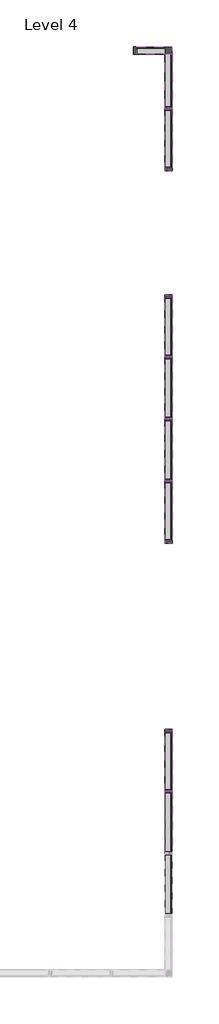
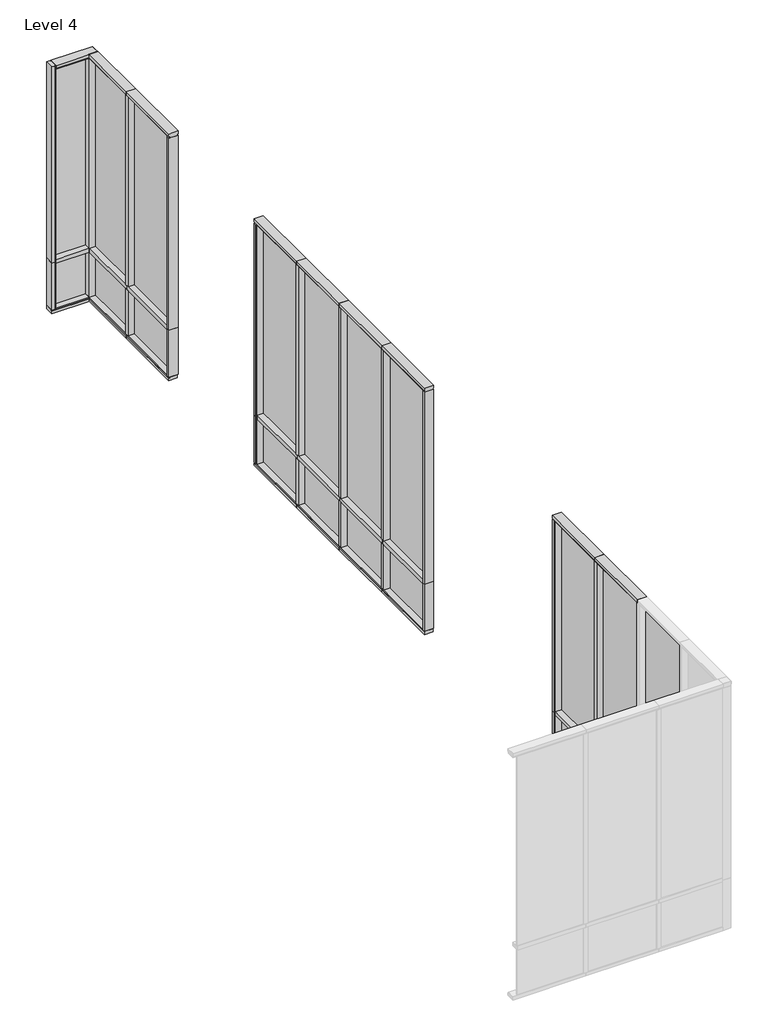
# One storey, part 2 of 2: 51 members, 19 plates.
"""IFC4 building model written with IfcOpenShell, lengths in millimetres."""

import ifcopenshell
import ifcopenshell.guid

model = None  # the IFC model being written
_history = None  # IfcOwnerHistory: only IFC2X3 demands one
_inside = {}  # id of a spatial element -> (the spatial element, [elements in it])
_under = {}  # id of a project, library or spatial element -> (it, [spatial elements below it])
_declared = {}  # id of a project -> (the project, [libraries it declares])
_typed = {}  # id of a type object -> (the type object, [elements of that type])
_made_of = {}  # id of a material, layer set ... -> (it, [elements and type objects made of it])


def new_model(schema):
    """Start an empty IFC model of exactly this schema.

    Asked for "IFC4X3", IfcOpenShell would pick the latest addendum, in which some entities
    have other attributes; the version numbers below select the first issue.
    IFC2X3 requires an IfcOwnerHistory on every rooted entity: one is made here for all.
    """
    global model, _history
    if schema == "IFC4X3":
        model = ifcopenshell.file(schema_version=(4, 3, 0, 0))
    else:
        model = ifcopenshell.file(schema=schema)
    _inside.clear()
    _under.clear()
    _declared.clear()
    _typed.clear()
    _made_of.clear()
    _history = None
    if model.schema == "IFC2X3":
        org = make("IfcOrganization", Name="unknown")
        user = make(
            "IfcPersonAndOrganization",
            ThePerson=make("IfcPerson", FamilyName="unknown"),
            TheOrganization=org,
        )
        app = make(
            "IfcApplication",
            ApplicationDeveloper=org,
            Version="unknown",
            ApplicationFullName="unknown",
            ApplicationIdentifier="unknown",
        )
        _history = make(
            "IfcOwnerHistory",
            OwningUser=user,
            OwningApplication=app,
            ChangeAction="ADDED",
            CreationDate=0,
        )
    return model


def make(cls, **values):
    """One entity of the class cls with the attributes given. An attribute that is None is left unset."""
    return model.create_entity(
        cls, **{name: value for name, value in values.items() if value is not None}
    )


def rooted(cls, **values):
    """An entity with a GlobalId (a new one), such as an element, a storey or a relation."""
    return make(cls, GlobalId=ifcopenshell.guid.new(), OwnerHistory=_history, **values)


def si_unit(unit_type, name, prefix=None):
    """IfcSIUnit, for example si_unit("LENGTHUNIT", "METRE", prefix="MILLI")."""
    return make("IfcSIUnit", UnitType=unit_type, Prefix=prefix, Name=name)


def assignment(units):
    """IfcUnitAssignment: the units of a project."""
    return None if units is None else make("IfcUnitAssignment", Units=units)


def point(xyz):
    """IfcCartesianPoint."""
    return None if xyz is None else make("IfcCartesianPoint", Coordinates=xyz)


def direction(xyz):
    """IfcDirection."""
    return None if xyz is None else make("IfcDirection", DirectionRatios=xyz)


def frame(location, z_axis=None, x_axis=None):
    """IfcAxis2Placement3D, a coordinate frame: its origin and axes. An axis left out is left unset."""
    return make(
        "IfcAxis2Placement3D",
        Location=point(location),
        Axis=direction(z_axis),
        RefDirection=direction(x_axis),
    )


def origin():
    """The frame at (0, 0, 0) with its axes left unset."""
    return frame((0.0, 0.0, 0.0))


def origin_with_axes():
    """The frame at (0, 0, 0) with the z axis (0, 0, 1) and the x axis (1, 0, 0) written out."""
    return frame((0.0, 0.0, 0.0), z_axis=(0.0, 0.0, 1.0), x_axis=(1.0, 0.0, 0.0))


def place(relative_to, where):
    """IfcLocalPlacement: puts the frame where relative to a parent placement (None: the world)."""
    return make(
        "IfcLocalPlacement", PlacementRelTo=relative_to, RelativePlacement=where
    )


def context(
    kind, dimensions, precision=None, world=None, true_north=None, identifier=None
):
    """IfcGeometricRepresentationContext, for example the 3D "Model" context."""
    return make(
        "IfcGeometricRepresentationContext",
        ContextIdentifier=identifier,
        ContextType=kind,
        CoordinateSpaceDimension=dimensions,
        Precision=precision,
        WorldCoordinateSystem=world,
        TrueNorth=true_north,
    )


def project(units=None, contexts=None):
    """IfcProject with its units and contexts."""
    return rooted(
        "IfcProject",
        Name="project",
        RepresentationContexts=contexts,
        UnitsInContext=assignment(units),
    )


def spatial(cls, under=None, at=None, **own):
    """A site, building, storey or space (cls), placed at a placement, below another one or the project."""
    s = rooted(cls, ObjectPlacement=at, **own)
    if under is not None:
        _under.setdefault(under.id(), (under, []))[1].append(s)
    return s


def polyline(points):
    """IfcPolyline through the points."""
    return make("IfcPolyline", Points=[point(p) for p in points])


def outline(outer, holes=None, kind="AREA"):
    """IfcArbitraryClosedProfileDef: a profile drawn as a closed curve; with holes, ...WithVoids."""
    if holes is None:
        return make("IfcArbitraryClosedProfileDef", ProfileType=kind, OuterCurve=outer)
    return make(
        "IfcArbitraryProfileDefWithVoids",
        ProfileType=kind,
        OuterCurve=outer,
        InnerCurves=holes,
    )


def extrude(swept, where, along, depth):
    """IfcExtrudedAreaSolid: the profile swept, set in the frame where, extruded along a direction by depth."""
    return make(
        "IfcExtrudedAreaSolid",
        SweptArea=swept,
        Position=where,
        ExtrudedDirection=direction(along),
        Depth=depth,
    )


def shape(context_of_items, identifier, shape_type, items):
    """IfcShapeRepresentation: the items that make up one representation, for example the "Body"."""
    return make(
        "IfcShapeRepresentation",
        ContextOfItems=context_of_items,
        RepresentationIdentifier=identifier,
        RepresentationType=shape_type,
        Items=items,
    )


def source(mapping_origin, context_of_items, identifier, shape_type, items):
    """IfcRepresentationMap: a shape defined once, which mapped items show again and again."""
    return make(
        "IfcRepresentationMap",
        MappingOrigin=mapping_origin,
        MappedRepresentation=shape(context_of_items, identifier, shape_type, items),
    )


def transform(
    local_origin,
    x_axis=None,
    y_axis=None,
    z_axis=None,
    scale=None,
    scale2=None,
    scale3=None,
    uniform=True,
):
    """IfcCartesianTransformationOperator3D, or its non-uniform kind. x_axis, y_axis, z_axis: its Axis1, 2, 3."""
    if uniform:
        return make(
            "IfcCartesianTransformationOperator3D",
            Axis1=direction(x_axis),
            Axis2=direction(y_axis),
            LocalOrigin=point(local_origin),
            Scale=scale,
            Axis3=direction(z_axis),
        )
    return make(
        "IfcCartesianTransformationOperator3DnonUniform",
        Axis1=direction(x_axis),
        Axis2=direction(y_axis),
        LocalOrigin=point(local_origin),
        Scale=scale,
        Axis3=direction(z_axis),
        Scale2=scale2,
        Scale3=scale3,
    )


def mapped(mapping_source, mapping_target):
    """IfcMappedItem: shows the shape of a source again, moved by a transform."""
    return make(
        "IfcMappedItem", MappingSource=mapping_source, MappingTarget=mapping_target
    )


def made_of(thing, what):
    """Note that an element or type object is made of a material, layer set ...; save() writes the relation."""
    if what is not None:
        _made_of.setdefault(what.id(), (what, []))[1].append(thing)
    return thing


def element(
    cls,
    number,
    at=None,
    inside=None,
    cuts=None,
    type_object=None,
    material=None,
    context=None,
    identifier="Body",
    shape_type=None,
    held_by="IfcProductDefinitionShape",
    body=None,
    shapes=None,
    **own,
):
    """One element of the class cls, such as IfcWall. Its Tag is "e" and its number.

    at: its placement. inside: the storey or other place that contains it. cuts: it is an
    opening in that element (IfcRelVoidsElement). A single representation is given by context,
    identifier, shape_type and body (its items); several are given by shapes. held_by: the class
    of the entity that holds the representations. save() writes the other relations.
    """
    e = rooted(cls, Tag="e%d" % number, ObjectPlacement=at, **own)
    if body is not None:
        shapes = [shape(context, identifier, shape_type, body)]
    if shapes is not None:
        e.Representation = make(held_by, Representations=shapes)
    if inside is not None:
        _inside.setdefault(inside.id(), (inside, []))[1].append(e)
    if cuts is not None:
        rooted(
            "IfcRelVoidsElement", RelatingBuildingElement=cuts, RelatedOpeningElement=e
        )
    if type_object is not None:
        _typed.setdefault(type_object.id(), (type_object, []))[1].append(e)
    return made_of(e, material)


def aggregate(whole, parts):
    """IfcRelAggregates: a whole, such as a stair, and the parts it consists of."""
    return rooted("IfcRelAggregates", RelatingObject=whole, RelatedObjects=parts)


def save(model, path):
    """Write the relations noted so far, then the file.

    IfcRelAggregates (storeys below a building ...), IfcRelContainedInSpatialStructure (elements
    in a storey), IfcRelDefinesByType, IfcRelAssociatesMaterial and IfcRelDeclares: one each for
    every whole, place, type object, material and project.
    """
    for whole, parts in _under.values():
        aggregate(whole, parts)
    for where, things in _inside.values():
        rooted(
            "IfcRelContainedInSpatialStructure",
            RelatedElements=things,
            RelatingStructure=where,
        )
    for kind, things in _typed.values():
        rooted("IfcRelDefinesByType", RelatedObjects=things, RelatingType=kind)
    for what, things in _made_of.values():
        rooted("IfcRelAssociatesMaterial", RelatedObjects=things, RelatingMaterial=what)
    for by, libraries in _declared.values():
        rooted("IfcRelDeclares", RelatingContext=by, RelatedDefinitions=libraries)
    model.write(path)


def rectangular_mullion_fg_150_corner_0aa0c7f1(model_context):
    return source(origin(), model_context, "Body", "SweptSolid", [
        extrude(outline(polyline([(0.0, 75.0), (0.0, -75.0), (-150.0, -75.0), (-150.0, 75.0), (0.0, 75.0)])), frame((0.0, 0.0, -1025.0), z_axis=(0.0, 0.0, 1.0), x_axis=(1.0, 0.0, 0.0)), (0.0, 0.0, 1.0), 1025.0),
    ])


def rectangular_mullion_fg_150_corner_32b1a0a3(model_context):
    return source(origin(), model_context, "Body", "SweptSolid", [
        extrude(outline(polyline([(0.0, 75.0), (0.0, -75.0), (-150.0, -75.0), (-150.0, 75.0), (0.0, 75.0)])), frame((0.0, 0.0, -3908.0), z_axis=(0.0, 0.0, 1.0), x_axis=(1.0, 0.0, 0.0)), (0.0, 0.0, 1.0), 3908.0),
    ])


def rectangular_mullion_fg_150_corner_a5ed7eb4(model_context):
    return source(origin(), model_context, "Body", "SweptSolid", [
        extrude(outline(polyline([(0.0, 75.0), (0.0, -75.0), (-150.0, -75.0), (-150.0, 75.0), (0.0, 75.0)])), frame((0.0, 0.0, -3995.0), z_axis=(0.0, 0.0, 1.0), x_axis=(1.0, 0.0, 0.0)), (0.0, 0.0, 1.0), 3995.0),
    ])


def rectangular_mullion_fg_150_corner_e84e66c6(model_context):
    return source(origin(), model_context, "Body", "SweptSolid", [
        extrude(outline(polyline([(0.0, 75.0), (0.0, -75.0), (-150.0, -75.0), (-150.0, 75.0), (0.0, 75.0)])), frame((0.0, 0.0, -959.0045338), z_axis=(0.0, 0.0, 1.0), x_axis=(1.0, 0.0, 0.0)), (0.0, 0.0, 1.0), 959.0045338),
    ])


def rectangular_mullion_fg_150_head_4cd6383f(model_context):
    return source(origin(), model_context, "Body", "SweptSolid", [
        extrude(outline(polyline([(0.0, -88.9972639), (-58.0, -88.9972639), (-58.0, -74.9972639), (-87.0, -74.9972639), (-87.0, 74.5027361), (-58.0, 74.5027361), (-58.0, 89.0027361), (0.0, 89.0027361), (0.0, -88.9972639)])), frame((0.0, 0.0, -1421.534), z_axis=(0.0, 0.0, 1.0), x_axis=(1.0, 0.0, 0.0)), (0.0, 0.0, 1.0), 1421.534),
    ])


def rectangular_mullion_fg_150_head_5e285c90(model_context):
    return source(origin(), model_context, "Body", "SweptSolid", [
        extrude(outline(polyline([(0.0, -88.9972639), (-58.0, -88.9972639), (-58.0, -74.9972639), (-87.0, -74.9972639), (-87.0, 74.5027361), (-58.0, 74.5027361), (-58.0, 89.0027361), (0.0, 89.0027361), (0.0, -88.9972639)])), frame((0.0, 0.0, -1421.5338), z_axis=(0.0, 0.0, 1.0), x_axis=(1.0, 0.0, 0.0)), (0.0, 0.0, 1.0), 1421.5338),
    ])


def rectangular_mullion_fg_150_head_2dc564ef(model_context):
    return source(origin(), model_context, "Body", "SweptSolid", [
        extrude(outline(polyline([(0.0, -88.9972639), (-58.0, -88.9972639), (-58.0, -74.9972639), (-87.0, -74.9972639), (-87.0, 74.5027361), (-58.0, 74.5027361), (-58.0, 89.0027361), (0.0, 89.0027361), (0.0, -88.9972639)])), frame((0.0, 0.0, -1257.5336396), z_axis=(0.0, 0.0, 1.0), x_axis=(1.0, 0.0, 0.0)), (0.0, 0.0, 1.0), 1257.5336396),
    ])


def rectangular_mullion_fg_150_head_a9258ce8(model_context):
    return source(origin(), model_context, "Body", "SweptSolid", [
        extrude(outline(polyline([(0.0, -88.9972639), (-58.0, -88.9972639), (-58.0, -74.9972639), (-87.0, -74.9972639), (-87.0, 74.5027361), (-58.0, 74.5027361), (-58.0, 89.0027361), (0.0, 89.0027361), (0.0, -88.9972639)])), frame((0.0, 0.0, -799.0919081), z_axis=(0.0, 0.0, 1.0), x_axis=(1.0, 0.0, 0.0)), (0.0, 0.0, 1.0), 799.0919081),
    ])


def rectangular_mullion_fg_150_jamb_b1_054b7167(model_context):
    return source(origin(), model_context, "Body", "SweptSolid", [
        extrude(outline(polyline([(0.0, 89.0001604), (0.0, -89.0053119), (-52.0, -89.0053119), (-52.0, -75.0), (-80.9079314, -75.0), (-80.9079314, 75.0), (-52.0, 75.0), (-52.0, 89.0001604), (0.0, 89.0001604)])), frame((0.0, 0.0, -3908.0), z_axis=(0.0, 0.0, 1.0), x_axis=(1.0, 0.0, 0.0)), (0.0, 0.0, 1.0), 3908.0),
    ])


def rectangular_mullion_fg_150_jamb_b1_2ca659dd(model_context):
    return source(origin(), model_context, "Body", "SweptSolid", [
        extrude(outline(polyline([(0.0, 89.0001604), (0.0, -89.0053119), (-52.0, -89.0053119), (-52.0, -75.0), (-80.9079314, -75.0), (-80.9079314, 75.0), (-52.0, 75.0), (-52.0, 89.0001604), (0.0, 89.0001604)])), frame((0.0, 0.0, -959.0045338), z_axis=(0.0, 0.0, 1.0), x_axis=(1.0, 0.0, 0.0)), (0.0, 0.0, 1.0), 959.0045338),
    ])


def rectangular_mullion_fg_150_jamb_b2_90ef6df1(model_context):
    return source(origin(), model_context, "Body", "SweptSolid", [
        extrude(outline(polyline([(0.0, -89.0053119), (-52.0, -89.0053119), (-52.0, -75.0), (-80.9079314, -75.0), (-80.9079314, 75.0001604), (-52.0, 75.0001604), (-52.0, 89.0001604), (0.0, 89.0001604), (0.0, -89.0053119)])), frame((0.0, 0.0, -959.0045338), z_axis=(0.0, 0.0, 1.0), x_axis=(1.0, 0.0, 0.0)), (0.0, 0.0, 1.0), 959.0045338),
    ])


def rectangular_mullion_fg_150_jamb_b2_1891aa5a(model_context):
    return source(origin(), model_context, "Body", "SweptSolid", [
        extrude(outline(polyline([(0.0, -89.0053119), (-52.0, -89.0053119), (-52.0, -75.0), (-80.9079314, -75.0), (-80.9079314, 75.0001604), (-52.0, 75.0001604), (-52.0, 89.0001604), (0.0, 89.0001604), (0.0, -89.0053119)])), frame((0.0, 0.0, -3908.0), z_axis=(0.0, 0.0, 1.0), x_axis=(1.0, 0.0, 0.0)), (0.0, 0.0, 1.0), 3908.0),
    ])


def rectangular_mullion_fg_150_jamb_b2_fa2348b4(model_context):
    return source(origin(), model_context, "Body", "SweptSolid", [
        extrude(outline(polyline([(0.0, -89.0053119), (-52.0, -89.0053119), (-52.0, -75.0), (-80.9079314, -75.0), (-80.9079314, 75.0001604), (-52.0, 75.0001604), (-52.0, 89.0001604), (0.0, 89.0001604), (0.0, -89.0053119)])), frame((0.0, 0.0, -3995.0), z_axis=(0.0, 0.0, 1.0), x_axis=(1.0, 0.0, 0.0)), (0.0, 0.0, 1.0), 3995.0),
    ])


def rectangular_mullion_fg_150x66_sill_9b631edd(model_context):
    return source(origin(), model_context, "Body", "SweptSolid", [
        extrude(outline(polyline([(0.0, 75.0), (0.0, -89.0), (-46.0000284, -89.0), (-46.0000284, -74.5), (-65.9954662, -74.5), (-65.9954662, 75.0), (0.0, 75.0)])), frame((0.0, 0.0, -1421.5338), z_axis=(0.0, 0.0, 1.0), x_axis=(1.0, 0.0, 0.0)), (0.0, 0.0, 1.0), 1421.5338),
    ])


def rectangular_mullion_fg_150x66_sill_fd60d1de(model_context):
    return source(origin(), model_context, "Body", "SweptSolid", [
        extrude(outline(polyline([(0.0, 75.0), (0.0, -89.0), (-46.0000284, -89.0), (-46.0000284, -74.5), (-65.9954662, -74.5), (-65.9954662, 75.0), (0.0, 75.0)])), frame((0.0, 0.0, -1407.5336396), z_axis=(0.0, 0.0, 1.0), x_axis=(1.0, 0.0, 0.0)), (0.0, 0.0, 1.0), 1407.5336396),
    ])


def rectangular_mullion_fg_150x66_sill_8855f08e(model_context):
    return source(origin(), model_context, "Body", "SweptSolid", [
        extrude(outline(polyline([(0.0, 75.0), (0.0, -89.0), (-46.0000284, -89.0), (-46.0000284, -74.5), (-65.9954662, -74.5), (-65.9954662, 75.0), (0.0, 75.0)])), frame((0.0, 0.0, -729.9998396), z_axis=(0.0, 0.0, 1.0), x_axis=(1.0, 0.0, 0.0)), (0.0, 0.0, 1.0), 729.9998396),
    ])


def rectangular_mullion_fg_150x75_mullion_51f36647(model_context):
    return source(origin(), model_context, "Body", "SweptSolid", [
        extrude(outline(polyline([(37.5, 75.0), (37.5, -75.0), (-37.5, -75.0), (-37.5, 75.0), (37.5, 75.0)])), frame((0.0, 0.0, -3870.5), z_axis=(0.0, 0.0, 1.0), x_axis=(1.0, 0.0, 0.0)), (0.0, 0.0, 1.0), 3870.5),
    ])


def rectangular_mullion_fg_150x75_mullion_ec10ab44(model_context):
    return source(origin(), model_context, "Body", "SweptSolid", [
        extrude(outline(polyline([(37.5, 75.0), (37.5, -75.0), (-37.5, -75.0), (-37.5, 75.0), (37.5, 75.0)])), frame((0.0, 0.0, -921.5045338), z_axis=(0.0, 0.0, 1.0), x_axis=(1.0, 0.0, 0.0)), (0.0, 0.0, 1.0), 921.5045338),
    ])


def rectangular_mullion_fg_150x75_mullion_f6686289(model_context):
    return source(origin(), model_context, "Body", "SweptSolid", [
        extrude(outline(polyline([(37.5, 75.0), (37.5, -75.0), (-37.5, -75.0), (-37.5, 75.0), (37.5, 75.0)])), frame((0.0, 0.0, -1421.5338), z_axis=(0.0, 0.0, 1.0), x_axis=(1.0, 0.0, 0.0)), (0.0, 0.0, 1.0), 1421.5338),
    ])


def rectangular_mullion_fg_150x75_mullion_fa2bd383(model_context):
    return source(origin(), model_context, "Body", "SweptSolid", [
        extrude(outline(polyline([(37.5, 75.0), (37.5, -75.0), (-37.5, -75.0), (-37.5, 75.0), (37.5, 75.0)])), frame((0.0, 0.0, -1340.6258685), z_axis=(0.0, 0.0, 1.0), x_axis=(1.0, 0.0, 0.0)), (0.0, 0.0, 1.0), 1340.6258685),
    ])


def rectangular_mullion_fg_150x75_mullion_d3676e6f(model_context):
    return source(origin(), model_context, "Body", "SweptSolid", [
        extrude(outline(polyline([(37.5, 75.0), (37.5, -75.0), (-37.5, -75.0), (-37.5, 75.0), (37.5, 75.0)])), frame((0.0, 0.0, -1257.5336396), z_axis=(0.0, 0.0, 1.0), x_axis=(1.0, 0.0, 0.0)), (0.0, 0.0, 1.0), 1257.5336396),
    ])


def rectangular_mullion_fg_150x75_mullion_9b052580(model_context):
    return source(origin(), model_context, "Body", "SweptSolid", [
        extrude(outline(polyline([(37.5, 75.0), (37.5, -75.0), (-37.5, -75.0), (-37.5, 75.0), (37.5, 75.0)])), frame((0.0, 0.0, -649.0919081), z_axis=(0.0, 0.0, 1.0), x_axis=(1.0, 0.0, 0.0)), (0.0, 0.0, 1.0), 649.0919081),
    ])


def system_panel_glass_52mm_offset_green_fef8f6de(model_context):
    return source(origin(), model_context, "Body", "SweptSolid", [
        extrude(outline(polyline([(673.2669, -57.0), (-673.2669, -57.0), (-673.2669, -47.0), (673.2669, -47.0), (673.2669, -57.0)])), origin_with_axes(), (0.0, 0.0, 1.0), 921.5045338),
    ])


def system_panel_glass_52mm_offset_green_6a0ecfad(model_context):
    return source(origin(), model_context, "Body", "SweptSolid", [
        extrude(outline(polyline([(651.5629343, -57.0), (-651.5629343, -57.0), (-651.5629343, -47.0), (651.5629343, -47.0), (651.5629343, -57.0)])), origin_with_axes(), (0.0, 0.0, 1.0), 921.5045338),
    ])


def system_panel_glass_52mm_offset_green_d9f4fc84(model_context):
    return source(origin(), model_context, "Body", "SweptSolid", [
        extrude(outline(polyline([(673.2669, -57.0), (-673.2669, -57.0), (-673.2669, -47.0), (673.2669, -47.0), (673.2669, -57.0)])), origin_with_axes(), (0.0, 0.0, 1.0), 3870.5),
    ])


def system_panel_glass_52mm_offset_green_572d3823(model_context):
    return source(origin(), model_context, "Body", "SweptSolid", [
        extrude(outline(polyline([(651.5629343, -57.0), (-651.5629343, -57.0), (-651.5629343, -47.0), (651.5629343, -47.0), (651.5629343, -57.0)])), origin_with_axes(), (0.0, 0.0, 1.0), 3870.5),
    ])


def system_panel_glass_52mm_offset_green_88afa2b9(model_context):
    return source(origin(), model_context, "Body", "SweptSolid", [
        extrude(outline(polyline([(610.0168198, -57.0), (-610.0168198, -57.0), (-610.0168198, -47.0), (610.0168198, -47.0), (610.0168198, -57.0)])), origin_with_axes(), (0.0, 0.0, 1.0), 921.5045338),
    ])


def system_panel_glass_52mm_offset_green_e82d9b80(model_context):
    return source(origin(), model_context, "Body", "SweptSolid", [
        extrude(outline(polyline([(610.0168198, -57.0), (-610.0168198, -57.0), (-610.0168198, -47.0), (610.0168198, -47.0), (610.0168198, -57.0)])), origin_with_axes(), (0.0, 0.0, 1.0), 3870.5),
    ])


def system_panel_glass_52mm_offset_green_f191ee3e(model_context):
    return source(origin(), model_context, "Body", "SweptSolid", [
        extrude(outline(polyline([(673.267, -57.0), (-673.267, -57.0), (-673.267, -47.0), (673.267, -47.0), (673.267, -57.0)])), origin_with_axes(), (0.0, 0.0, 1.0), 3870.5),
    ])


def system_panel_glass_52mm_offset_green_5cf44b58(model_context):
    return source(origin(), model_context, "Body", "SweptSolid", [
        extrude(outline(polyline([(324.5459541, -57.0), (-324.5459541, -57.0), (-324.5459541, -47.0), (324.5459541, -47.0), (324.5459541, -57.0)])), origin_with_axes(), (0.0, 0.0, 1.0), 921.5045338),
    ])


def system_panel_glass_52mm_offset_green_c9080235(model_context):
    return source(origin(), model_context, "Body", "SweptSolid", [
        extrude(outline(polyline([(324.5459541, -57.0), (-324.5459541, -57.0), (-324.5459541, -47.0), (324.5459541, -47.0), (324.5459541, -57.0)])), origin_with_axes(), (0.0, 0.0, 1.0), 3870.5),
    ])


model = new_model("IFC4")

# Units and contexts
model_context = context("Model", 3, world=origin())
ifc_project = project(units=[si_unit("LENGTHUNIT", "METRE", prefix="MILLI")], contexts=[model_context])

# Site, building, storey
site = spatial("IfcSite", under=ifc_project)
building = spatial("IfcBuilding", under=site)
storey = spatial("IfcBuildingStorey", under=building, Name="Level 4", Elevation=9000.0)

# Members
placement = place(None, origin())
rectangular_mullion_fg_150_corner_shape = rectangular_mullion_fg_150_corner_0aa0c7f1(model_context)
element("IfcMember", 1, ObjectType="Rectangular Mullion : FG 150 Corner", at=placement, inside=storey, context=model_context, shape_type="MappedRepresentation", body=[
    mapped(rectangular_mullion_fg_150_corner_shape, transform((15074.6378826, 20187.5662493, 9125.0), x_axis=(1.0, 0.0, 0.0), y_axis=(0.0, 1.0, 0.0), z_axis=(0.0, 0.0, 1.0))),
])
rectangular_mullion_fg_150_corner_2_shape = rectangular_mullion_fg_150_corner_32b1a0a3(model_context)
element("IfcMember", 2, ObjectType="Rectangular Mullion : FG 150 Corner", at=placement, inside=storey, context=model_context, shape_type="MappedRepresentation", body=[
    mapped(rectangular_mullion_fg_150_corner_2_shape, transform((15074.6378826, 20187.5662493, 13033.0), x_axis=(1.0, 0.0, 0.0), y_axis=(0.0, 1.0, 0.0), z_axis=(0.0, 0.0, 1.0))),
])
rectangular_mullion_fg_150_corner_3_shape = rectangular_mullion_fg_150_corner_a5ed7eb4(model_context)
element("IfcMember", 3, ObjectType="Rectangular Mullion : FG 150 Corner", at=placement, inside=storey, context=model_context, shape_type="MappedRepresentation", body=[
    mapped(rectangular_mullion_fg_150_corner_3_shape, transform((14999.6378826, 20262.5662493, 9125.0), x_axis=(0.0, 1.0, 0.0), y_axis=(1.0, 0.0, 0.0), z_axis=(0.0, 0.0, -1.0))),
])
rectangular_mullion_fg_150_corner_4_shape = rectangular_mullion_fg_150_corner_e84e66c6(model_context)
element("IfcMember", 4, ObjectType="Rectangular Mullion : FG 150 Corner", at=placement, inside=storey, context=model_context, shape_type="MappedRepresentation", body=[
    mapped(rectangular_mullion_fg_150_corner_4_shape, transform((14999.6378826, 20262.5662493, 8165.9954662), x_axis=(0.0, 1.0, 0.0), y_axis=(1.0, 0.0, 0.0), z_axis=(0.0, 0.0, -1.0))),
])
rectangular_mullion_fg_150_head_shape = rectangular_mullion_fg_150_head_4cd6383f(model_context)
element("IfcMember", 5, ObjectType="Rectangular Mullion : FG 150 Head", at=placement, inside=storey, context=model_context, shape_type="MappedRepresentation", body=[
    mapped(rectangular_mullion_fg_150_head_shape, transform((14999.6378826, 3218.1608099, 13120.0), x_axis=(0.0, 0.0, 1.0), y_axis=(1.0, 0.0, 0.0), z_axis=(0.0, 1.0, 0.0))),
])
element("IfcMember", 6, ObjectType="Rectangular Mullion : FG 150 Head", at=placement, inside=storey, context=model_context, shape_type="MappedRepresentation", body=[
    mapped(rectangular_mullion_fg_150_head_shape, transform((14999.6378826, 11747.3636098, 13120.0), x_axis=(0.0, 0.0, 1.0), y_axis=(1.0, 0.0, 0.0), z_axis=(0.0, 1.0, 0.0))),
])
element("IfcMember", 7, ObjectType="Rectangular Mullion : FG 150 Head", at=placement, inside=storey, context=model_context, shape_type="MappedRepresentation", body=[
    mapped(rectangular_mullion_fg_150_head_shape, transform((14999.6378826, 13168.8974098, 13120.0), x_axis=(0.0, 0.0, 1.0), y_axis=(1.0, 0.0, 0.0), z_axis=(0.0, 1.0, 0.0))),
])
rectangular_mullion_fg_150_head_2_shape = rectangular_mullion_fg_150_head_5e285c90(model_context)
element("IfcMember", 8, ObjectType="Rectangular Mullion : FG 150 Head", at=placement, inside=storey, context=model_context, shape_type="MappedRepresentation", body=[
    mapped(rectangular_mullion_fg_150_head_2_shape, transform((14999.6378826, 4639.6946099, 13120.0), x_axis=(0.0, 0.0, 1.0), y_axis=(1.0, 0.0, 0.0), z_axis=(0.0, 1.0, 0.0))),
])
element("IfcMember", 9, ObjectType="Rectangular Mullion : FG 150 Head", at=placement, inside=storey, context=model_context, shape_type="MappedRepresentation", body=[
    mapped(rectangular_mullion_fg_150_head_2_shape, transform((14999.6378826, 14590.4312098, 13120.0), x_axis=(0.0, 0.0, 1.0), y_axis=(1.0, 0.0, 0.0), z_axis=(0.0, 1.0, 0.0))),
])
rectangular_mullion_fg_150_head_3_shape = rectangular_mullion_fg_150_head_2dc564ef(model_context)
element("IfcMember", 10, ObjectType="Rectangular Mullion : FG 150 Head", at=placement, inside=storey, context=model_context, shape_type="MappedRepresentation", body=[
    mapped(rectangular_mullion_fg_150_head_3_shape, transform((14999.6378826, 20112.5662493, 13120.0), x_axis=(0.0, 0.0, 1.0), y_axis=(1.0, 0.0, 0.0), z_axis=(0.0, 1.0, 0.0))),
])
element("IfcMember", 11, ObjectType="Rectangular Mullion : FG 150 Head", at=placement, inside=storey, context=model_context, shape_type="MappedRepresentation", body=[
    mapped(rectangular_mullion_fg_150_head_2_shape, transform((14999.6378826, 18855.0326097, 13120.0), x_axis=(0.0, 0.0, 1.0), y_axis=(1.0, 0.0, 0.0), z_axis=(0.0, 1.0, 0.0))),
])
element("IfcMember", 12, ObjectType="Rectangular Mullion : FG 150 Head", at=placement, inside=storey, context=model_context, shape_type="MappedRepresentation", body=[
    mapped(rectangular_mullion_fg_150_head_2_shape, transform((14999.6378826, 10325.8298098, 13120.0), x_axis=(0.0, 0.0, 1.0), y_axis=(1.0, 0.0, 0.0), z_axis=(0.0, 1.0, 0.0))),
])
rectangular_mullion_fg_150_head_4_shape = rectangular_mullion_fg_150_head_a9258ce8(model_context)
element("IfcMember", 13, ObjectType="Rectangular Mullion : FG 150 Head", at=placement, inside=storey, context=model_context, shape_type="MappedRepresentation", body=[
    mapped(rectangular_mullion_fg_150_head_4_shape, transform((14275.5459745, 20187.5662493, 13120.0), x_axis=(0.0, 0.0, 1.0), y_axis=(0.0, 1.0, 0.0), z_axis=(-1.0, 0.0, 0.0))),
])
rectangular_mullion_fg_150_jamb_b1_shape = rectangular_mullion_fg_150_jamb_b1_054b7167(model_context)
element("IfcMember", 14, ObjectType="Rectangular Mullion : FG 150 Jamb B1", at=placement, inside=storey, context=model_context, shape_type="MappedRepresentation", body=[
    mapped(rectangular_mullion_fg_150_jamb_b1_shape, transform((14999.6378826, 8904.2960098, 13033.0), x_axis=(0.0, -1.0, 0.0), y_axis=(1.0, 0.0, 0.0), z_axis=(0.0, 0.0, 1.0))),
])
element("IfcMember", 15, ObjectType="Rectangular Mullion : FG 150 Jamb B1", at=placement, inside=storey, context=model_context, shape_type="MappedRepresentation", body=[
    mapped(rectangular_mullion_fg_150_jamb_b1_shape, transform((14999.6378826, 17433.4988097, 13033.0), x_axis=(0.0, -1.0, 0.0), y_axis=(1.0, 0.0, 0.0), z_axis=(0.0, 0.0, 1.0))),
])
rectangular_mullion_fg_150_jamb_b1_2_shape = rectangular_mullion_fg_150_jamb_b1_2ca659dd(model_context)
element("IfcMember", 16, ObjectType="Rectangular Mullion : FG 150 Jamb B1", at=placement, inside=storey, context=model_context, shape_type="MappedRepresentation", body=[
    mapped(rectangular_mullion_fg_150_jamb_b1_2_shape, transform((14999.6378826, 8904.2960098, 9125.0), x_axis=(0.0, -1.0, 0.0), y_axis=(1.0, 0.0, 0.0), z_axis=(0.0, 0.0, 1.0))),
])
element("IfcMember", 17, ObjectType="Rectangular Mullion : FG 150 Jamb B1", at=placement, inside=storey, context=model_context, shape_type="MappedRepresentation", body=[
    mapped(rectangular_mullion_fg_150_jamb_b1_2_shape, transform((14999.6378826, 17433.4988097, 9125.0), x_axis=(0.0, -1.0, 0.0), y_axis=(1.0, 0.0, 0.0), z_axis=(0.0, 0.0, 1.0))),
])
rectangular_mullion_fg_150_jamb_b2_shape = rectangular_mullion_fg_150_jamb_b2_90ef6df1(model_context)
element("IfcMember", 18, ObjectType="Rectangular Mullion : FG 150 Jamb B2", at=placement, inside=storey, context=model_context, shape_type="MappedRepresentation", body=[
    mapped(rectangular_mullion_fg_150_jamb_b2_shape, transform((14999.6378826, 4639.6946099, 8165.9954662), x_axis=(0.0, 1.0, 0.0), y_axis=(1.0, 0.0, 0.0), z_axis=(0.0, 0.0, -1.0))),
])
element("IfcMember", 19, ObjectType="Rectangular Mullion : FG 150 Jamb B2", at=placement, inside=storey, context=model_context, shape_type="MappedRepresentation", body=[
    mapped(rectangular_mullion_fg_150_jamb_b2_shape, transform((14999.6378826, 14590.4312098, 8165.9954662), x_axis=(0.0, 1.0, 0.0), y_axis=(1.0, 0.0, 0.0), z_axis=(0.0, 0.0, -1.0))),
])
rectangular_mullion_fg_150_jamb_b2_2_shape = rectangular_mullion_fg_150_jamb_b2_1891aa5a(model_context)
element("IfcMember", 20, ObjectType="Rectangular Mullion : FG 150 Jamb B2", at=placement, inside=storey, context=model_context, shape_type="MappedRepresentation", body=[
    mapped(rectangular_mullion_fg_150_jamb_b2_2_shape, transform((14999.6378826, 4639.6946099, 9125.0), x_axis=(0.0, 1.0, 0.0), y_axis=(1.0, 0.0, 0.0), z_axis=(0.0, 0.0, -1.0))),
])
element("IfcMember", 21, ObjectType="Rectangular Mullion : FG 150 Jamb B2", at=placement, inside=storey, context=model_context, shape_type="MappedRepresentation", body=[
    mapped(rectangular_mullion_fg_150_jamb_b2_2_shape, transform((14999.6378826, 14590.4312098, 9125.0), x_axis=(0.0, 1.0, 0.0), y_axis=(1.0, 0.0, 0.0), z_axis=(0.0, 0.0, -1.0))),
])
element("IfcMember", 22, ObjectType="Rectangular Mullion : FG 150 Jamb B2", at=placement, inside=storey, context=model_context, shape_type="MappedRepresentation", body=[
    mapped(rectangular_mullion_fg_150_jamb_b2_shape, transform((14194.6380431, 20187.5662493, 8165.9954662), x_axis=(-1.0, 0.0, 0.0), y_axis=(0.0, 1.0, 0.0), z_axis=(0.0, 0.0, -1.0))),
])
rectangular_mullion_fg_150_jamb_b2_3_shape = rectangular_mullion_fg_150_jamb_b2_fa2348b4(model_context)
element("IfcMember", 23, ObjectType="Rectangular Mullion : FG 150 Jamb B2", at=placement, inside=storey, context=model_context, shape_type="MappedRepresentation", body=[
    mapped(rectangular_mullion_fg_150_jamb_b2_3_shape, transform((14194.6380431, 20187.5662493, 9125.0), x_axis=(-1.0, 0.0, 0.0), y_axis=(0.0, 1.0, 0.0), z_axis=(0.0, 0.0, -1.0))),
])
rectangular_mullion_fg_150x66_sill_shape = rectangular_mullion_fg_150x66_sill_9b631edd(model_context)
element("IfcMember", 24, ObjectType="Rectangular Mullion : FG 150x66 Sill", at=placement, inside=storey, context=model_context, shape_type="MappedRepresentation", body=[
    mapped(rectangular_mullion_fg_150x66_sill_shape, transform((14999.6378826, 11747.3636098, 8100.0), x_axis=(0.0, 0.0, -1.0), y_axis=(1.0, 0.0, 0.0), z_axis=(0.0, -1.0, 0.0))),
])
element("IfcMember", 25, ObjectType="Rectangular Mullion : FG 150x66 Sill", at=placement, inside=storey, context=model_context, shape_type="MappedRepresentation", body=[
    mapped(rectangular_mullion_fg_150x66_sill_shape, transform((14999.6378826, 10325.8298098, 8100.0), x_axis=(0.0, 0.0, -1.0), y_axis=(1.0, 0.0, 0.0), z_axis=(0.0, -1.0, 0.0))),
])
element("IfcMember", 26, ObjectType="Rectangular Mullion : FG 150x66 Sill", at=placement, inside=storey, context=model_context, shape_type="MappedRepresentation", body=[
    mapped(rectangular_mullion_fg_150x66_sill_shape, transform((14999.6378826, 3218.1608099, 8100.0), x_axis=(0.0, 0.0, -1.0), y_axis=(1.0, 0.0, 0.0), z_axis=(0.0, -1.0, 0.0))),
])
element("IfcMember", 27, ObjectType="Rectangular Mullion : FG 150x66 Sill", at=placement, inside=storey, context=model_context, shape_type="MappedRepresentation", body=[
    mapped(rectangular_mullion_fg_150x66_sill_shape, transform((14999.6378826, 13168.8974098, 8100.0), x_axis=(0.0, 0.0, -1.0), y_axis=(1.0, 0.0, 0.0), z_axis=(0.0, -1.0, 0.0))),
])
element("IfcMember", 28, ObjectType="Rectangular Mullion : FG 150x66 Sill", at=placement, inside=storey, context=model_context, shape_type="MappedRepresentation", body=[
    mapped(rectangular_mullion_fg_150x66_sill_shape, transform((14999.6378826, 8904.2960098, 8100.0), x_axis=(0.0, 0.0, -1.0), y_axis=(1.0, 0.0, 0.0), z_axis=(0.0, -1.0, 0.0))),
])
element("IfcMember", 29, ObjectType="Rectangular Mullion : FG 150x66 Sill", at=placement, inside=storey, context=model_context, shape_type="MappedRepresentation", body=[
    mapped(rectangular_mullion_fg_150x66_sill_shape, transform((14999.6378826, 17433.4988097, 8100.0), x_axis=(0.0, 0.0, -1.0), y_axis=(1.0, 0.0, 0.0), z_axis=(0.0, -1.0, 0.0))),
])
rectangular_mullion_fg_150x66_sill_2_shape = rectangular_mullion_fg_150x66_sill_fd60d1de(model_context)
element("IfcMember", 30, ObjectType="Rectangular Mullion : FG 150x66 Sill", at=placement, inside=storey, context=model_context, shape_type="MappedRepresentation", body=[
    mapped(rectangular_mullion_fg_150x66_sill_2_shape, transform((14999.6378826, 18855.0326097, 8100.0), x_axis=(0.0, 0.0, -1.0), y_axis=(1.0, 0.0, 0.0), z_axis=(0.0, -1.0, 0.0))),
])
rectangular_mullion_fg_150x66_sill_3_shape = rectangular_mullion_fg_150x66_sill_8855f08e(model_context)
element("IfcMember", 31, ObjectType="Rectangular Mullion : FG 150x66 Sill", at=placement, inside=storey, context=model_context, shape_type="MappedRepresentation", body=[
    mapped(rectangular_mullion_fg_150x66_sill_3_shape, transform((14924.6378826, 20187.5662493, 8100.0), x_axis=(0.0, 0.0, -1.0), y_axis=(0.0, 1.0, 0.0), z_axis=(1.0, 0.0, 0.0))),
])
rectangular_mullion_fg_150x75_mullion_shape = rectangular_mullion_fg_150x75_mullion_51f36647(model_context)
element("IfcMember", 32, ObjectType="Rectangular Mullion : FG 150x75 Mullion", at=placement, inside=storey, context=model_context, shape_type="MappedRepresentation", body=[
    mapped(rectangular_mullion_fg_150x75_mullion_shape, transform((14999.6378826, 3218.1608099, 9162.5), x_axis=(0.0, 1.0, 0.0), y_axis=(1.0, 0.0, 0.0), z_axis=(0.0, 0.0, -1.0))),
])
element("IfcMember", 33, ObjectType="Rectangular Mullion : FG 150x75 Mullion", at=placement, inside=storey, context=model_context, shape_type="MappedRepresentation", body=[
    mapped(rectangular_mullion_fg_150x75_mullion_shape, transform((14999.6378826, 11747.3636098, 9162.5), x_axis=(0.0, 1.0, 0.0), y_axis=(1.0, 0.0, 0.0), z_axis=(0.0, 0.0, -1.0))),
])
element("IfcMember", 34, ObjectType="Rectangular Mullion : FG 150x75 Mullion", at=placement, inside=storey, context=model_context, shape_type="MappedRepresentation", body=[
    mapped(rectangular_mullion_fg_150x75_mullion_shape, transform((14999.6378826, 13168.8974098, 9162.5), x_axis=(0.0, 1.0, 0.0), y_axis=(1.0, 0.0, 0.0), z_axis=(0.0, 0.0, -1.0))),
])
element("IfcMember", 35, ObjectType="Rectangular Mullion : FG 150x75 Mullion", at=placement, inside=storey, context=model_context, shape_type="MappedRepresentation", body=[
    mapped(rectangular_mullion_fg_150x75_mullion_shape, transform((14999.6378826, 18855.0326097, 9162.5), x_axis=(0.0, 1.0, 0.0), y_axis=(1.0, 0.0, 0.0), z_axis=(0.0, 0.0, -1.0))),
])
element("IfcMember", 36, ObjectType="Rectangular Mullion : FG 150x75 Mullion", at=placement, inside=storey, context=model_context, shape_type="MappedRepresentation", body=[
    mapped(rectangular_mullion_fg_150x75_mullion_shape, transform((14999.6378826, 10325.8298098, 9162.5), x_axis=(0.0, 1.0, 0.0), y_axis=(1.0, 0.0, 0.0), z_axis=(0.0, 0.0, -1.0))),
])
rectangular_mullion_fg_150x75_mullion_2_shape = rectangular_mullion_fg_150x75_mullion_ec10ab44(model_context)
element("IfcMember", 37, ObjectType="Rectangular Mullion : FG 150x75 Mullion", at=placement, inside=storey, context=model_context, shape_type="MappedRepresentation", body=[
    mapped(rectangular_mullion_fg_150x75_mullion_2_shape, transform((14999.6378826, 3218.1608099, 8165.9954662), x_axis=(0.0, 1.0, 0.0), y_axis=(1.0, 0.0, 0.0), z_axis=(0.0, 0.0, -1.0))),
])
element("IfcMember", 38, ObjectType="Rectangular Mullion : FG 150x75 Mullion", at=placement, inside=storey, context=model_context, shape_type="MappedRepresentation", body=[
    mapped(rectangular_mullion_fg_150x75_mullion_2_shape, transform((14999.6378826, 11747.3636098, 8165.9954662), x_axis=(0.0, 1.0, 0.0), y_axis=(1.0, 0.0, 0.0), z_axis=(0.0, 0.0, -1.0))),
])
element("IfcMember", 39, ObjectType="Rectangular Mullion : FG 150x75 Mullion", at=placement, inside=storey, context=model_context, shape_type="MappedRepresentation", body=[
    mapped(rectangular_mullion_fg_150x75_mullion_2_shape, transform((14999.6378826, 13168.8974098, 8165.9954662), x_axis=(0.0, 1.0, 0.0), y_axis=(1.0, 0.0, 0.0), z_axis=(0.0, 0.0, -1.0))),
])
element("IfcMember", 40, ObjectType="Rectangular Mullion : FG 150x75 Mullion", at=placement, inside=storey, context=model_context, shape_type="MappedRepresentation", body=[
    mapped(rectangular_mullion_fg_150x75_mullion_2_shape, transform((14999.6378826, 10325.8298098, 8165.9954662), x_axis=(0.0, 1.0, 0.0), y_axis=(1.0, 0.0, 0.0), z_axis=(0.0, 0.0, -1.0))),
])
rectangular_mullion_fg_150x75_mullion_3_shape = rectangular_mullion_fg_150x75_mullion_f6686289(model_context)
element("IfcMember", 41, ObjectType="Rectangular Mullion : FG 150x75 Mullion", at=placement, inside=storey, context=model_context, shape_type="MappedRepresentation", body=[
    mapped(rectangular_mullion_fg_150x75_mullion_3_shape, transform((14999.6378826, 3218.1608099, 9125.0), x_axis=(0.0, 0.0, 1.0), y_axis=(1.0, 0.0, 0.0), z_axis=(0.0, 1.0, 0.0))),
])
element("IfcMember", 42, ObjectType="Rectangular Mullion : FG 150x75 Mullion", at=placement, inside=storey, context=model_context, shape_type="MappedRepresentation", body=[
    mapped(rectangular_mullion_fg_150x75_mullion_3_shape, transform((14999.6378826, 13168.8974098, 9125.0), x_axis=(0.0, 0.0, 1.0), y_axis=(1.0, 0.0, 0.0), z_axis=(0.0, 1.0, 0.0))),
])
element("IfcMember", 43, ObjectType="Rectangular Mullion : FG 150x75 Mullion", at=placement, inside=storey, context=model_context, shape_type="MappedRepresentation", body=[
    mapped(rectangular_mullion_fg_150x75_mullion_3_shape, transform((14999.6378826, 11747.3636098, 9125.0), x_axis=(0.0, 0.0, 1.0), y_axis=(1.0, 0.0, 0.0), z_axis=(0.0, 1.0, 0.0))),
])
element("IfcMember", 44, ObjectType="Rectangular Mullion : FG 150x75 Mullion", at=placement, inside=storey, context=model_context, shape_type="MappedRepresentation", body=[
    mapped(rectangular_mullion_fg_150x75_mullion_3_shape, transform((14999.6378826, 1796.6270099, 9125.0), x_axis=(0.0, 0.0, 1.0), y_axis=(1.0, 0.0, 0.0), z_axis=(0.0, 1.0, 0.0))),
])
rectangular_mullion_fg_150x75_mullion_4_shape = rectangular_mullion_fg_150x75_mullion_fa2bd383(model_context)
element("IfcMember", 45, ObjectType="Rectangular Mullion : FG 150x75 Mullion", at=placement, inside=storey, context=model_context, shape_type="MappedRepresentation", body=[
    mapped(rectangular_mullion_fg_150x75_mullion_4_shape, transform((14999.6378826, 4558.7866785, 9125.0), x_axis=(0.0, 0.0, 1.0), y_axis=(1.0, 0.0, 0.0), z_axis=(0.0, 1.0, 0.0))),
])
element("IfcMember", 46, ObjectType="Rectangular Mullion : FG 150x75 Mullion", at=placement, inside=storey, context=model_context, shape_type="MappedRepresentation", body=[
    mapped(rectangular_mullion_fg_150x75_mullion_4_shape, transform((14999.6378826, 14509.5232783, 9125.0), x_axis=(0.0, 0.0, 1.0), y_axis=(1.0, 0.0, 0.0), z_axis=(0.0, 1.0, 0.0))),
])
element("IfcMember", 47, ObjectType="Rectangular Mullion : FG 150x75 Mullion", at=placement, inside=storey, context=model_context, shape_type="MappedRepresentation", body=[
    mapped(rectangular_mullion_fg_150x75_mullion_4_shape, transform((14999.6378826, 10325.8298098, 9125.0), x_axis=(0.0, 0.0, 1.0), y_axis=(1.0, 0.0, 0.0), z_axis=(0.0, 1.0, 0.0))),
])
element("IfcMember", 48, ObjectType="Rectangular Mullion : FG 150x75 Mullion", at=placement, inside=storey, context=model_context, shape_type="MappedRepresentation", body=[
    mapped(rectangular_mullion_fg_150x75_mullion_4_shape, transform((14999.6378826, 18855.0326097, 9125.0), x_axis=(0.0, 0.0, 1.0), y_axis=(1.0, 0.0, 0.0), z_axis=(0.0, 1.0, 0.0))),
])
rectangular_mullion_fg_150x75_mullion_5_shape = rectangular_mullion_fg_150x75_mullion_d3676e6f(model_context)
element("IfcMember", 49, ObjectType="Rectangular Mullion : FG 150x75 Mullion", at=placement, inside=storey, context=model_context, shape_type="MappedRepresentation", body=[
    mapped(rectangular_mullion_fg_150x75_mullion_5_shape, transform((14999.6378826, 20112.5662493, 9125.0), x_axis=(0.0, 0.0, 1.0), y_axis=(1.0, 0.0, 0.0), z_axis=(0.0, 1.0, 0.0))),
])
element("IfcMember", 50, ObjectType="Rectangular Mullion : FG 150x75 Mullion", at=placement, inside=storey, context=model_context, shape_type="MappedRepresentation", body=[
    mapped(rectangular_mullion_fg_150x75_mullion_2_shape, transform((14999.6378826, 18855.0326097, 8165.9954662), x_axis=(0.0, 1.0, 0.0), y_axis=(1.0, 0.0, 0.0), z_axis=(0.0, 0.0, -1.0))),
])
rectangular_mullion_fg_150x75_mullion_6_shape = rectangular_mullion_fg_150x75_mullion_9b052580(model_context)
element("IfcMember", 51, ObjectType="Rectangular Mullion : FG 150x75 Mullion", at=placement, inside=storey, context=model_context, shape_type="MappedRepresentation", body=[
    mapped(rectangular_mullion_fg_150x75_mullion_6_shape, transform((14275.5459745, 20187.5662493, 9125.0), x_axis=(0.0, 0.0, 1.0), y_axis=(0.0, 1.0, 0.0), z_axis=(-1.0, 0.0, 0.0))),
])

# Plates
system_panel_glass_52mm_offset_green_shape = system_panel_glass_52mm_offset_green_fef8f6de(model_context)
element("IfcPlate", 52, ObjectType="System Panel : Glass 52mm Offset Green", at=placement, inside=storey, context=model_context, shape_type="MappedRepresentation", body=[
    mapped(system_panel_glass_52mm_offset_green_shape, transform((14999.6378826, 2507.3939099, 8165.9954662), x_axis=(0.0, 1.0, 0.0), y_axis=(-1.0, 0.0, 0.0), z_axis=(0.0, 0.0, 1.0))),
])
element("IfcPlate", 53, ObjectType="System Panel : Glass 52mm Offset Green", at=placement, inside=storey, context=model_context, shape_type="MappedRepresentation", body=[
    mapped(system_panel_glass_52mm_offset_green_shape, transform((14999.6378826, 12458.1305098, 8165.9954662), x_axis=(0.0, 1.0, 0.0), y_axis=(-1.0, 0.0, 0.0), z_axis=(0.0, 0.0, 1.0))),
])
element("IfcPlate", 54, ObjectType="System Panel : Glass 52mm Offset Green", at=placement, inside=storey, context=model_context, shape_type="MappedRepresentation", body=[
    mapped(system_panel_glass_52mm_offset_green_shape, transform((14999.6378826, 11036.5967098, 8165.9954662), x_axis=(0.0, 1.0, 0.0), y_axis=(-1.0, 0.0, 0.0), z_axis=(0.0, 0.0, 1.0))),
])
system_panel_glass_52mm_offset_green_2_shape = system_panel_glass_52mm_offset_green_6a0ecfad(model_context)
element("IfcPlate", 55, ObjectType="System Panel : Glass 52mm Offset Green", at=placement, inside=storey, context=model_context, shape_type="MappedRepresentation", body=[
    mapped(system_panel_glass_52mm_offset_green_2_shape, transform((14999.6378826, 3907.2237442, 8165.9954662), x_axis=(0.0, 1.0, 0.0), y_axis=(-1.0, 0.0, 0.0), z_axis=(0.0, 0.0, 1.0))),
])
element("IfcPlate", 56, ObjectType="System Panel : Glass 52mm Offset Green", at=placement, inside=storey, context=model_context, shape_type="MappedRepresentation", body=[
    mapped(system_panel_glass_52mm_offset_green_2_shape, transform((14999.6378826, 13857.9603441, 8165.9954662), x_axis=(0.0, 1.0, 0.0), y_axis=(-1.0, 0.0, 0.0), z_axis=(0.0, 0.0, 1.0))),
])
element("IfcPlate", 57, ObjectType="System Panel : Glass 52mm Offset Green", at=placement, inside=storey, context=model_context, shape_type="MappedRepresentation", body=[
    mapped(system_panel_glass_52mm_offset_green_2_shape, transform((14999.6378826, 9636.7668756, 8165.9954662), x_axis=(0.0, 1.0, 0.0), y_axis=(-1.0, 0.0, 0.0), z_axis=(0.0, 0.0, 1.0))),
])
element("IfcPlate", 58, ObjectType="System Panel : Glass 52mm Offset Green", at=placement, inside=storey, context=model_context, shape_type="MappedRepresentation", body=[
    mapped(system_panel_glass_52mm_offset_green_2_shape, transform((14999.6378826, 18165.9696754, 8165.9954662), x_axis=(0.0, 1.0, 0.0), y_axis=(-1.0, 0.0, 0.0), z_axis=(0.0, 0.0, 1.0))),
])
system_panel_glass_52mm_offset_green_3_shape = system_panel_glass_52mm_offset_green_d9f4fc84(model_context)
element("IfcPlate", 59, ObjectType="System Panel : Glass 52mm Offset Green", at=placement, inside=storey, context=model_context, shape_type="MappedRepresentation", body=[
    mapped(system_panel_glass_52mm_offset_green_3_shape, transform((14999.6378826, 2507.3939099, 9162.5), x_axis=(0.0, 1.0, 0.0), y_axis=(-1.0, 0.0, 0.0), z_axis=(0.0, 0.0, 1.0))),
])
element("IfcPlate", 60, ObjectType="System Panel : Glass 52mm Offset Green", at=placement, inside=storey, context=model_context, shape_type="MappedRepresentation", body=[
    mapped(system_panel_glass_52mm_offset_green_3_shape, transform((14999.6378826, 12458.1305098, 9162.5), x_axis=(0.0, 1.0, 0.0), y_axis=(-1.0, 0.0, 0.0), z_axis=(0.0, 0.0, 1.0))),
])
element("IfcPlate", 61, ObjectType="System Panel : Glass 52mm Offset Green", at=placement, inside=storey, context=model_context, shape_type="MappedRepresentation", body=[
    mapped(system_panel_glass_52mm_offset_green_3_shape, transform((14999.6378826, 11036.5967098, 9162.5), x_axis=(0.0, 1.0, 0.0), y_axis=(-1.0, 0.0, 0.0), z_axis=(0.0, 0.0, 1.0))),
])
system_panel_glass_52mm_offset_green_4_shape = system_panel_glass_52mm_offset_green_572d3823(model_context)
element("IfcPlate", 62, ObjectType="System Panel : Glass 52mm Offset Green", at=placement, inside=storey, context=model_context, shape_type="MappedRepresentation", body=[
    mapped(system_panel_glass_52mm_offset_green_4_shape, transform((14999.6378826, 3907.2237442, 9162.5), x_axis=(0.0, 1.0, 0.0), y_axis=(-1.0, 0.0, 0.0), z_axis=(0.0, 0.0, 1.0))),
])
element("IfcPlate", 63, ObjectType="System Panel : Glass 52mm Offset Green", at=placement, inside=storey, context=model_context, shape_type="MappedRepresentation", body=[
    mapped(system_panel_glass_52mm_offset_green_4_shape, transform((14999.6378826, 13857.9603441, 9162.5), x_axis=(0.0, 1.0, 0.0), y_axis=(-1.0, 0.0, 0.0), z_axis=(0.0, 0.0, 1.0))),
])
element("IfcPlate", 64, ObjectType="System Panel : Glass 52mm Offset Green", at=placement, inside=storey, context=model_context, shape_type="MappedRepresentation", body=[
    mapped(system_panel_glass_52mm_offset_green_4_shape, transform((14999.6378826, 9636.7668756, 9162.5), x_axis=(0.0, 1.0, 0.0), y_axis=(-1.0, 0.0, 0.0), z_axis=(0.0, 0.0, 1.0))),
])
element("IfcPlate", 65, ObjectType="System Panel : Glass 52mm Offset Green", at=placement, inside=storey, context=model_context, shape_type="MappedRepresentation", body=[
    mapped(system_panel_glass_52mm_offset_green_4_shape, transform((14999.6378826, 18165.9696754, 9162.5), x_axis=(0.0, 1.0, 0.0), y_axis=(-1.0, 0.0, 0.0), z_axis=(0.0, 0.0, 1.0))),
])
system_panel_glass_52mm_offset_green_5_shape = system_panel_glass_52mm_offset_green_88afa2b9(model_context)
element("IfcPlate", 66, ObjectType="System Panel : Glass 52mm Offset Green", at=placement, inside=storey, context=model_context, shape_type="MappedRepresentation", body=[
    mapped(system_panel_glass_52mm_offset_green_5_shape, transform((14999.6378826, 19502.5494295, 8165.9954662), x_axis=(0.0, 1.0, 0.0), y_axis=(-1.0, 0.0, 0.0), z_axis=(0.0, 0.0, 1.0))),
])
system_panel_glass_52mm_offset_green_6_shape = system_panel_glass_52mm_offset_green_e82d9b80(model_context)
element("IfcPlate", 67, ObjectType="System Panel : Glass 52mm Offset Green", at=placement, inside=storey, context=model_context, shape_type="MappedRepresentation", body=[
    mapped(system_panel_glass_52mm_offset_green_6_shape, transform((14999.6378826, 19502.5494295, 9162.5), x_axis=(0.0, 1.0, 0.0), y_axis=(-1.0, 0.0, 0.0), z_axis=(0.0, 0.0, 1.0))),
])
system_panel_glass_52mm_offset_green_7_shape = system_panel_glass_52mm_offset_green_f191ee3e(model_context)
element("IfcPlate", 68, ObjectType="System Panel : Glass 52mm Offset Green", at=placement, inside=storey, context=model_context, shape_type="MappedRepresentation", body=[
    mapped(system_panel_glass_52mm_offset_green_7_shape, transform((14999.6378826, 1085.8600099, 9162.5), x_axis=(0.0, 1.0, 0.0), y_axis=(-1.0, 0.0, 0.0), z_axis=(0.0, 0.0, 1.0))),
])
system_panel_glass_52mm_offset_green_8_shape = system_panel_glass_52mm_offset_green_5cf44b58(model_context)
element("IfcPlate", 69, ObjectType="System Panel : Glass 52mm Offset Green", at=placement, inside=storey, context=model_context, shape_type="MappedRepresentation", body=[
    mapped(system_panel_glass_52mm_offset_green_8_shape, transform((14600.0919286, 20187.5662493, 8165.9954662), x_axis=(-1.0, 0.0, 0.0), y_axis=(0.0, -1.0, 0.0), z_axis=(0.0, 0.0, 1.0))),
])
system_panel_glass_52mm_offset_green_9_shape = system_panel_glass_52mm_offset_green_c9080235(model_context)
element("IfcPlate", 70, ObjectType="System Panel : Glass 52mm Offset Green", at=placement, inside=storey, context=model_context, shape_type="MappedRepresentation", body=[
    mapped(system_panel_glass_52mm_offset_green_9_shape, transform((14600.0919286, 20187.5662493, 9162.5), x_axis=(-1.0, 0.0, 0.0), y_axis=(0.0, -1.0, 0.0), z_axis=(0.0, 0.0, 1.0))),
])

save(model, "model.ifc")
